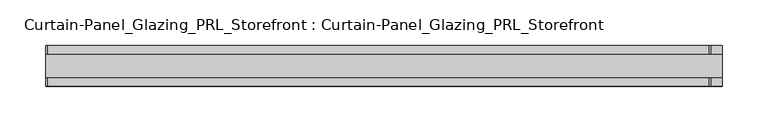
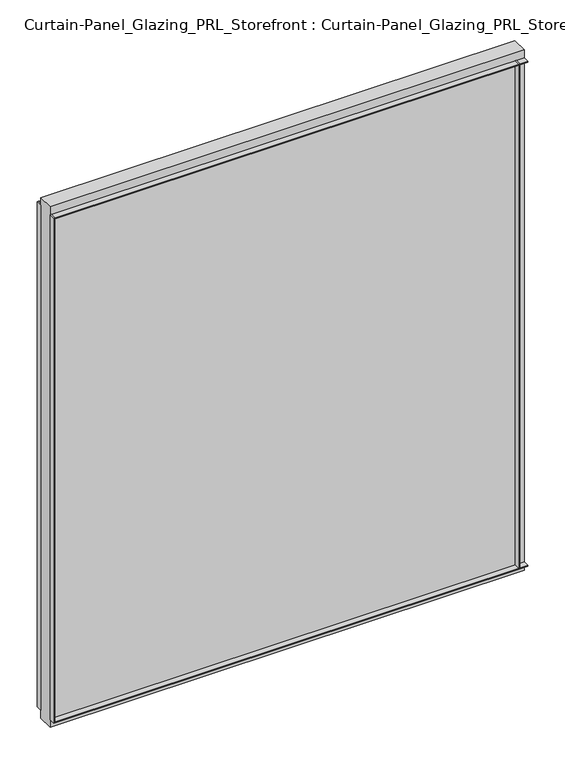
"""IFC4 building model written with IfcOpenShell, lengths in millimetres: plate geometry, Curtain-Panel_Glazing_PRL_Storefront : Curtain-Panel_Glazing_PRL_Storefront."""

from ifc_helpers import new_model, si_unit, frame, origin, origin_with_axes, place, context, project, spatial, polyline, outline, extrude, source, transform, mapped, element, save


def curtain_panel_glazing_prl_storefront_curtain_panel_glazing_e08a12b0(model_context):
    return source(origin(), model_context, "Body", "SweptSolid", [
        extrude(outline(polyline([(385.2333333, -22.225), (383.6458333, -22.225), (383.6458333, -12.7), (385.2333333, -12.7), (385.2333333, -22.225)])), frame((0.0, 0.0, 12.7), z_axis=(0.0, 0.0, 1.0), x_axis=(1.0, 0.0, 0.0)), (0.0, 0.0, 1.0), 831.85),
        extrude(outline(polyline([(385.2333333, 22.225), (385.2333333, 12.7), (383.6458333, 12.7), (383.6458333, 22.225), (385.2333333, 22.225)])), frame((0.0, 0.0, 12.7), z_axis=(0.0, 0.0, 1.0), x_axis=(1.0, 0.0, 0.0)), (0.0, 0.0, 1.0), 831.85),
        extrude(outline(polyline([(-340.7833333, -22.225), (-340.7833333, -12.7), (-339.1958333, -12.7), (-339.1958333, -22.225), (-340.7833333, -22.225)])), frame((0.0, 0.0, 12.7), z_axis=(0.0, 0.0, 1.0), x_axis=(1.0, 0.0, 0.0)), (0.0, 0.0, 1.0), 831.85),
        extrude(outline(polyline([(-340.7833333, 22.225), (-339.1958333, 22.225), (-339.1958333, 12.7), (-340.7833333, 12.7), (-340.7833333, 22.225)])), frame((0.0, 0.0, 12.7), z_axis=(0.0, 0.0, 1.0), x_axis=(1.0, 0.0, 0.0)), (0.0, 0.0, 1.0), 831.85),
        extrude(outline(polyline([(397.9333333, 12.7), (397.9333333, -12.7), (-340.7833333, -12.7), (-340.7833333, 12.7), (397.9333333, 12.7)])), origin_with_axes(), (0.0, 0.0, 1.0), 857.25),
        extrude(outline(polyline([(-340.7833333, -22.225), (-340.7833333, -12.7), (397.9333333, -12.7), (397.9333333, -22.225), (-340.7833333, -22.225)])), frame((0.0, 0.0, 842.9625), z_axis=(0.0, 0.0, 1.0), x_axis=(1.0, 0.0, 0.0)), (0.0, 0.0, 1.0), 1.5875),
        extrude(outline(polyline([(-340.7833333, 22.225), (397.9333333, 22.225), (397.9333333, 12.7), (-340.7833333, 12.7), (-340.7833333, 22.225)])), frame((0.0, 0.0, 842.9625), z_axis=(0.0, 0.0, 1.0), x_axis=(1.0, 0.0, 0.0)), (0.0, 0.0, 1.0), 1.5875),
        extrude(outline(polyline([(-340.7833333, -22.225), (-340.7833333, -12.7), (397.9333333, -12.7), (397.9333333, -22.225), (-340.7833333, -22.225)])), frame((0.0, 0.0, 12.7), z_axis=(0.0, 0.0, 1.0), x_axis=(1.0, 0.0, 0.0)), (0.0, 0.0, 1.0), 1.5875),
        extrude(outline(polyline([(-340.7833333, 22.225), (397.9333333, 22.225), (397.9333333, 12.7), (-340.7833333, 12.7), (-340.7833333, 22.225)])), frame((0.0, 0.0, 12.7), z_axis=(0.0, 0.0, 1.0), x_axis=(1.0, 0.0, 0.0)), (0.0, 0.0, 1.0), 1.5875),
    ])


if __name__ == "__main__":
    model = new_model("IFC4")
    model_context = context("Model", 3, world=origin())
    ifc_project = project(units=[si_unit("LENGTHUNIT", "METRE", prefix="MILLI")], contexts=[model_context])
    site = spatial("IfcSite", under=ifc_project)
    building = spatial("IfcBuilding", under=site)
    placement = place(None, origin())
    curtain_panel_glazing_prl_storefront_curtain_panel_glazing_shape = curtain_panel_glazing_prl_storefront_curtain_panel_glazing_e08a12b0(model_context)
    element("IfcPlate", 1, ObjectType="Curtain-Panel_Glazing_PRL_Storefront : Curtain-Panel_Glazing_PRL_Storefront", at=placement, inside=building, context=model_context, shape_type="MappedRepresentation", body=[
        mapped(curtain_panel_glazing_prl_storefront_curtain_panel_glazing_shape, transform((0.0, 0.0, 0.0), x_axis=(1.0, 0.0, 0.0), y_axis=(0.0, 1.0, 0.0), z_axis=(0.0, 0.0, 1.0))),
    ])
    save(model, "model.ifc")
